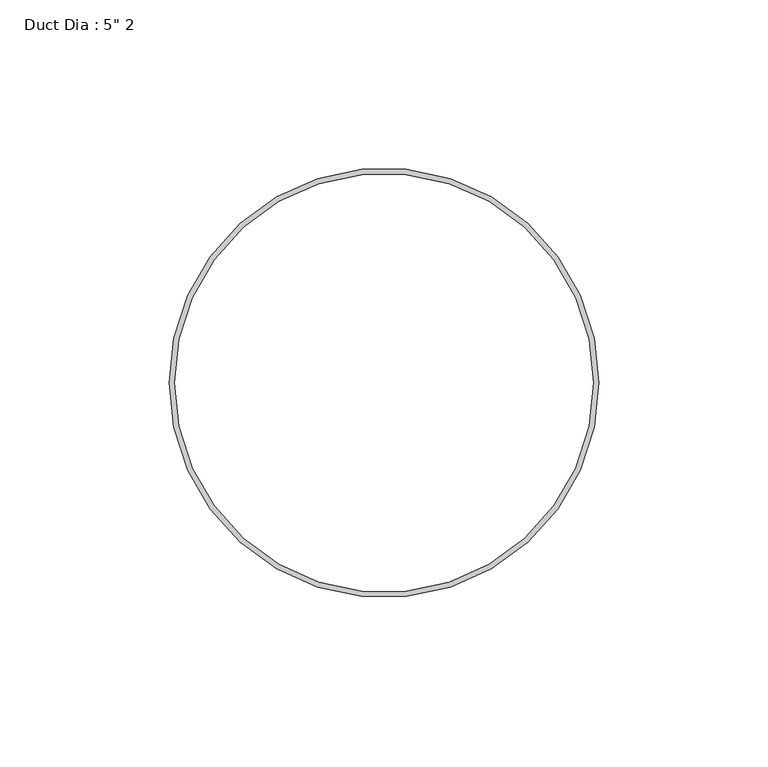
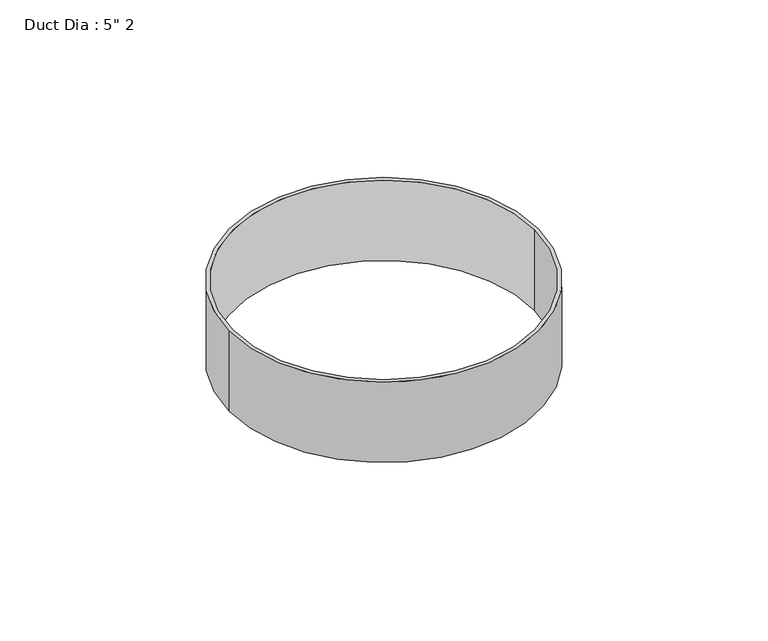
"""IFC4 building model written with IfcOpenShell, lengths in millimetres: proxy geometry."""

import ifcopenshell
import ifcopenshell.guid

model = None  # the IFC model being written
_history = None  # IfcOwnerHistory: only IFC2X3 demands one
_inside = {}  # id of a spatial element -> (the spatial element, [elements in it])
_under = {}  # id of a project, library or spatial element -> (it, [spatial elements below it])
_declared = {}  # id of a project -> (the project, [libraries it declares])
_typed = {}  # id of a type object -> (the type object, [elements of that type])
_made_of = {}  # id of a material, layer set ... -> (it, [elements and type objects made of it])


def new_model(schema):
    """Start an empty IFC model of exactly this schema.

    Asked for "IFC4X3", IfcOpenShell would pick the latest addendum, in which some entities
    have other attributes; the version numbers below select the first issue.
    IFC2X3 requires an IfcOwnerHistory on every rooted entity: one is made here for all.
    """
    global model, _history
    if schema == "IFC4X3":
        model = ifcopenshell.file(schema_version=(4, 3, 0, 0))
    else:
        model = ifcopenshell.file(schema=schema)
    _inside.clear()
    _under.clear()
    _declared.clear()
    _typed.clear()
    _made_of.clear()
    _history = None
    if model.schema == "IFC2X3":
        org = make("IfcOrganization", Name="unknown")
        user = make(
            "IfcPersonAndOrganization",
            ThePerson=make("IfcPerson", FamilyName="unknown"),
            TheOrganization=org,
        )
        app = make(
            "IfcApplication",
            ApplicationDeveloper=org,
            Version="unknown",
            ApplicationFullName="unknown",
            ApplicationIdentifier="unknown",
        )
        _history = make(
            "IfcOwnerHistory",
            OwningUser=user,
            OwningApplication=app,
            ChangeAction="ADDED",
            CreationDate=0,
        )
    return model


def make(cls, **values):
    """One entity of the class cls with the attributes given. An attribute that is None is left unset."""
    return model.create_entity(
        cls, **{name: value for name, value in values.items() if value is not None}
    )


def rooted(cls, **values):
    """An entity with a GlobalId (a new one), such as an element, a storey or a relation."""
    return make(cls, GlobalId=ifcopenshell.guid.new(), OwnerHistory=_history, **values)


def si_unit(unit_type, name, prefix=None):
    """IfcSIUnit, for example si_unit("LENGTHUNIT", "METRE", prefix="MILLI")."""
    return make("IfcSIUnit", UnitType=unit_type, Prefix=prefix, Name=name)


def assignment(units):
    """IfcUnitAssignment: the units of a project."""
    return None if units is None else make("IfcUnitAssignment", Units=units)


def point(xyz):
    """IfcCartesianPoint."""
    return None if xyz is None else make("IfcCartesianPoint", Coordinates=xyz)


def direction(xyz):
    """IfcDirection."""
    return None if xyz is None else make("IfcDirection", DirectionRatios=xyz)


def frame(location, z_axis=None, x_axis=None):
    """IfcAxis2Placement3D, a coordinate frame: its origin and axes. An axis left out is left unset."""
    return make(
        "IfcAxis2Placement3D",
        Location=point(location),
        Axis=direction(z_axis),
        RefDirection=direction(x_axis),
    )


def frame_2d(location, x_axis=None):
    """IfcAxis2Placement2D, a coordinate frame in the plane: its origin and x axis."""
    return make(
        "IfcAxis2Placement2D", Location=point(location), RefDirection=direction(x_axis)
    )


def origin():
    """The frame at (0, 0, 0) with its axes left unset."""
    return frame((0.0, 0.0, 0.0))


def origin_with_axes():
    """The frame at (0, 0, 0) with the z axis (0, 0, 1) and the x axis (1, 0, 0) written out."""
    return frame((0.0, 0.0, 0.0), z_axis=(0.0, 0.0, 1.0), x_axis=(1.0, 0.0, 0.0))


def origin_2d():
    """The frame at (0, 0) in the plane with its x axis left unset."""
    return frame_2d((0.0, 0.0))


def place(relative_to, where):
    """IfcLocalPlacement: puts the frame where relative to a parent placement (None: the world)."""
    return make(
        "IfcLocalPlacement", PlacementRelTo=relative_to, RelativePlacement=where
    )


def context(
    kind, dimensions, precision=None, world=None, true_north=None, identifier=None
):
    """IfcGeometricRepresentationContext, for example the 3D "Model" context."""
    return make(
        "IfcGeometricRepresentationContext",
        ContextIdentifier=identifier,
        ContextType=kind,
        CoordinateSpaceDimension=dimensions,
        Precision=precision,
        WorldCoordinateSystem=world,
        TrueNorth=true_north,
    )


def project(units=None, contexts=None):
    """IfcProject with its units and contexts."""
    return rooted(
        "IfcProject",
        Name="project",
        RepresentationContexts=contexts,
        UnitsInContext=assignment(units),
    )


def spatial(cls, under=None, at=None, **own):
    """A site, building, storey or space (cls), placed at a placement, below another one or the project."""
    s = rooted(cls, ObjectPlacement=at, **own)
    if under is not None:
        _under.setdefault(under.id(), (under, []))[1].append(s)
    return s


def circle_curve(where, radius):
    """IfcCircle in the frame where."""
    return make("IfcCircle", Position=where, Radius=radius)


def trimmed(basis, trim1, trim2, sense, master):
    """IfcTrimmedCurve: the piece of a basis curve between two trims."""
    return make(
        "IfcTrimmedCurve",
        BasisCurve=basis,
        Trim1=trim1,
        Trim2=trim2,
        SenseAgreement=sense,
        MasterRepresentation=master,
    )


def segment(curve, same_sense, transition):
    """IfcCompositeCurveSegment."""
    return make(
        "IfcCompositeCurveSegment",
        Transition=transition,
        SameSense=same_sense,
        ParentCurve=curve,
    )


def composite_curve(segments, self_intersect=None):
    """IfcCompositeCurve: segments joined end to end."""
    return make("IfcCompositeCurve", Segments=segments, SelfIntersect=self_intersect)


def outline(outer, holes=None, kind="AREA"):
    """IfcArbitraryClosedProfileDef: a profile drawn as a closed curve; with holes, ...WithVoids."""
    if holes is None:
        return make("IfcArbitraryClosedProfileDef", ProfileType=kind, OuterCurve=outer)
    return make(
        "IfcArbitraryProfileDefWithVoids",
        ProfileType=kind,
        OuterCurve=outer,
        InnerCurves=holes,
    )


def extrude(swept, where, along, depth):
    """IfcExtrudedAreaSolid: the profile swept, set in the frame where, extruded along a direction by depth."""
    return make(
        "IfcExtrudedAreaSolid",
        SweptArea=swept,
        Position=where,
        ExtrudedDirection=direction(along),
        Depth=depth,
    )


def shape(context_of_items, identifier, shape_type, items):
    """IfcShapeRepresentation: the items that make up one representation, for example the "Body"."""
    return make(
        "IfcShapeRepresentation",
        ContextOfItems=context_of_items,
        RepresentationIdentifier=identifier,
        RepresentationType=shape_type,
        Items=items,
    )


def source(mapping_origin, context_of_items, identifier, shape_type, items):
    """IfcRepresentationMap: a shape defined once, which mapped items show again and again."""
    return make(
        "IfcRepresentationMap",
        MappingOrigin=mapping_origin,
        MappedRepresentation=shape(context_of_items, identifier, shape_type, items),
    )


def transform(
    local_origin,
    x_axis=None,
    y_axis=None,
    z_axis=None,
    scale=None,
    scale2=None,
    scale3=None,
    uniform=True,
):
    """IfcCartesianTransformationOperator3D, or its non-uniform kind. x_axis, y_axis, z_axis: its Axis1, 2, 3."""
    if uniform:
        return make(
            "IfcCartesianTransformationOperator3D",
            Axis1=direction(x_axis),
            Axis2=direction(y_axis),
            LocalOrigin=point(local_origin),
            Scale=scale,
            Axis3=direction(z_axis),
        )
    return make(
        "IfcCartesianTransformationOperator3DnonUniform",
        Axis1=direction(x_axis),
        Axis2=direction(y_axis),
        LocalOrigin=point(local_origin),
        Scale=scale,
        Axis3=direction(z_axis),
        Scale2=scale2,
        Scale3=scale3,
    )


def mapped(mapping_source, mapping_target):
    """IfcMappedItem: shows the shape of a source again, moved by a transform."""
    return make(
        "IfcMappedItem", MappingSource=mapping_source, MappingTarget=mapping_target
    )


def made_of(thing, what):
    """Note that an element or type object is made of a material, layer set ...; save() writes the relation."""
    if what is not None:
        _made_of.setdefault(what.id(), (what, []))[1].append(thing)
    return thing


def element(
    cls,
    number,
    at=None,
    inside=None,
    cuts=None,
    type_object=None,
    material=None,
    context=None,
    identifier="Body",
    shape_type=None,
    held_by="IfcProductDefinitionShape",
    body=None,
    shapes=None,
    **own,
):
    """One element of the class cls, such as IfcWall. Its Tag is "e" and its number.

    at: its placement. inside: the storey or other place that contains it. cuts: it is an
    opening in that element (IfcRelVoidsElement). A single representation is given by context,
    identifier, shape_type and body (its items); several are given by shapes. held_by: the class
    of the entity that holds the representations. save() writes the other relations.
    """
    e = rooted(cls, Tag="e%d" % number, ObjectPlacement=at, **own)
    if body is not None:
        shapes = [shape(context, identifier, shape_type, body)]
    if shapes is not None:
        e.Representation = make(held_by, Representations=shapes)
    if inside is not None:
        _inside.setdefault(inside.id(), (inside, []))[1].append(e)
    if cuts is not None:
        rooted(
            "IfcRelVoidsElement", RelatingBuildingElement=cuts, RelatedOpeningElement=e
        )
    if type_object is not None:
        _typed.setdefault(type_object.id(), (type_object, []))[1].append(e)
    return made_of(e, material)


def aggregate(whole, parts):
    """IfcRelAggregates: a whole, such as a stair, and the parts it consists of."""
    return rooted("IfcRelAggregates", RelatingObject=whole, RelatedObjects=parts)


def save(model, path):
    """Write the relations noted so far, then the file.

    IfcRelAggregates (storeys below a building ...), IfcRelContainedInSpatialStructure (elements
    in a storey), IfcRelDefinesByType, IfcRelAssociatesMaterial and IfcRelDeclares: one each for
    every whole, place, type object, material and project.
    """
    for whole, parts in _under.values():
        aggregate(whole, parts)
    for where, things in _inside.values():
        rooted(
            "IfcRelContainedInSpatialStructure",
            RelatedElements=things,
            RelatingStructure=where,
        )
    for kind, things in _typed.values():
        rooted("IfcRelDefinesByType", RelatedObjects=things, RelatingType=kind)
    for what, things in _made_of.values():
        rooted("IfcRelAssociatesMaterial", RelatedObjects=things, RelatingMaterial=what)
    for by, libraries in _declared.values():
        rooted("IfcRelDeclares", RelatingContext=by, RelatedDefinitions=libraries)
    model.write(path)


def proxy_84034765(model_context):
    return source(origin(), model_context, "Body", "SweptSolid", [
        extrude(outline(composite_curve([segment(trimmed(circle_curve(origin_2d(), 63.5), [point((-63.5, 0.0))], [point((63.5, 0.0))], False, "CARTESIAN"), True, "CONTINUOUS"), segment(trimmed(circle_curve(origin_2d(), 63.5), [point((63.5, 0.0))], [point((-63.5, 0.0))], False, "CARTESIAN"), True, "CONTINUOUS")], self_intersect=False), holes=[composite_curve([segment(trimmed(circle_curve(origin_2d(), 61.9125), [point((-61.9125, 0.0))], [point((61.9125, 0.0))], True, "CARTESIAN"), True, "CONTINUOUS"), segment(trimmed(circle_curve(origin_2d(), 61.9125), [point((61.9125, 0.0))], [point((-61.9125, 0.0))], True, "CARTESIAN"), True, "CONTINUOUS")], self_intersect=False)]), origin_with_axes(), (0.0, 0.0, 1.0), 34.925),
    ])


if __name__ == "__main__":
    model = new_model("IFC4")
    model_context = context("Model", 3, world=origin())
    ifc_project = project(units=[si_unit("LENGTHUNIT", "METRE", prefix="MILLI")], contexts=[model_context])
    site = spatial("IfcSite", under=ifc_project)
    building = spatial("IfcBuilding", under=site)
    placement = place(None, origin())
    proxy_shape = proxy_84034765(model_context)
    element("IfcBuildingElementProxy", 1, Name="Duct Dia : 5\" 2", ObjectType="Duct Dia : 5\" 2", at=placement, inside=building, context=model_context, shape_type="MappedRepresentation", body=[
        mapped(proxy_shape, transform((0.0, 0.0, 0.0), x_axis=(1.0, 0.0, 0.0), y_axis=(0.0, 1.0, 0.0), z_axis=(0.0, 0.0, 1.0))),
    ])
    save(model, "model.ifc")
